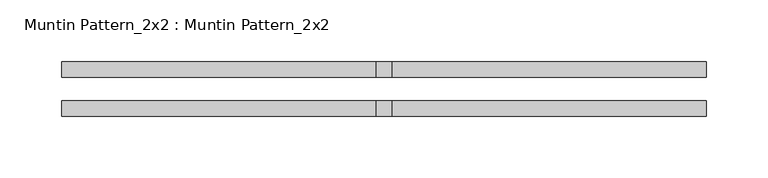
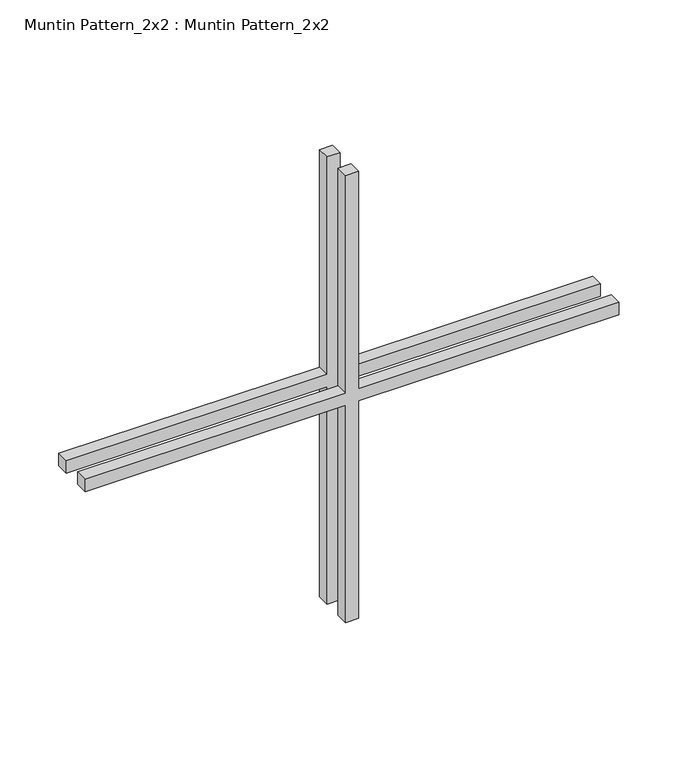
"""IFC4 building model written with IfcOpenShell, lengths in millimetres: proxy geometry, Muntin Pattern_2x2 : Muntin Pattern_2x2."""

from ifc_helpers import new_model, si_unit, frame, origin, place, context, project, spatial, polyline, outline, extrude, source, transform, mapped, element, save


def muntin_pattern_2x2_muntin_pattern_2x2_2aa28e33(model_context):
    return source(origin(), model_context, "Body", "SweptSolid", [
        extrude(outline(polyline([(238.125, -6.35), (238.125, -261.9375), (225.425, -261.9375), (225.425, -6.35), (0.0, -6.35), (0.0, 6.35), (225.425, 6.35), (225.425, 261.9375), (238.125, 261.9375), (238.125, 6.35), (463.55, 6.35), (463.55, -6.35), (238.125, -6.35)])), frame((0.0, 9.525, 0.0), z_axis=(0.0, 1.0, 0.0), x_axis=(0.0, 0.0, 1.0)), (0.0, 0.0, 1.0), 12.7),
        extrude(outline(polyline([(238.125, -6.35), (238.125, -261.9375), (225.425, -261.9375), (225.425, -6.35), (0.0, -6.35), (0.0, 6.35), (225.425, 6.35), (225.425, 261.9375), (238.125, 261.9375), (238.125, 6.35), (463.55, 6.35), (463.55, -6.35), (238.125, -6.35)])), frame((0.0, -22.225, 0.0), z_axis=(0.0, 1.0, 0.0), x_axis=(0.0, 0.0, 1.0)), (0.0, 0.0, 1.0), 12.7),
    ])


if __name__ == "__main__":
    model = new_model("IFC4")
    model_context = context("Model", 3, world=origin())
    ifc_project = project(units=[si_unit("LENGTHUNIT", "METRE", prefix="MILLI")], contexts=[model_context])
    site = spatial("IfcSite", under=ifc_project)
    building = spatial("IfcBuilding", under=site)
    placement = place(None, origin())
    muntin_pattern_2x2_muntin_pattern_2x2_shape = muntin_pattern_2x2_muntin_pattern_2x2_2aa28e33(model_context)
    element("IfcBuildingElementProxy", 1, Name="Muntin Pattern_2x2 : Muntin Pattern_2x2", ObjectType="Muntin Pattern_2x2 : Muntin Pattern_2x2", at=placement, inside=building, context=model_context, shape_type="MappedRepresentation", body=[
        mapped(muntin_pattern_2x2_muntin_pattern_2x2_shape, transform((0.0, 0.0, 0.0), x_axis=(1.0, 0.0, 0.0), y_axis=(0.0, 1.0, 0.0), z_axis=(0.0, 0.0, 1.0))),
    ])
    save(model, "model.ifc")
